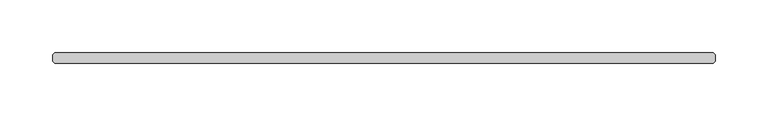
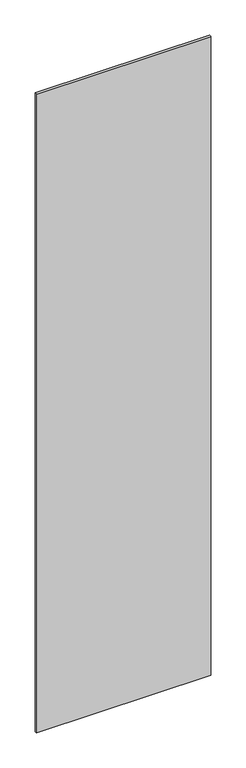
"""IFC4 building model written with IfcOpenShell, lengths in millimetres: plate geometry."""

from ifc_helpers import new_model, si_unit, origin, origin_with_axes, place, context, project, spatial, polyline, outline, extrude, source, transform, mapped, element, save


def plate_a15adc92(model_context):
    return source(origin(), model_context, "Body", "SweptSolid", [
        extrude(outline(polyline([(310.753125, -34.925), (-310.753125, -34.925), (-312.340625, -33.3375), (-312.340625, -26.9875), (-310.753125, -25.4), (310.753125, -25.4), (312.340625, -26.9875), (312.340625, -33.3375), (310.753125, -34.925)])), origin_with_axes(), (0.0, 0.0, 1.0), 2417.075),
    ])


if __name__ == "__main__":
    model = new_model("IFC4")
    model_context = context("Model", 3, world=origin())
    ifc_project = project(units=[si_unit("LENGTHUNIT", "METRE", prefix="MILLI")], contexts=[model_context])
    site = spatial("IfcSite", under=ifc_project)
    building = spatial("IfcBuilding", under=site)
    placement = place(None, origin())
    plate_shape = plate_a15adc92(model_context)
    element("IfcPlate", 1, at=placement, inside=building, context=model_context, shape_type="MappedRepresentation", body=[
        mapped(plate_shape, transform((0.0, 0.0, 0.0), x_axis=(1.0, 0.0, 0.0), y_axis=(0.0, 1.0, 0.0), z_axis=(0.0, 0.0, 1.0))),
    ])
    save(model, "model.ifc")
